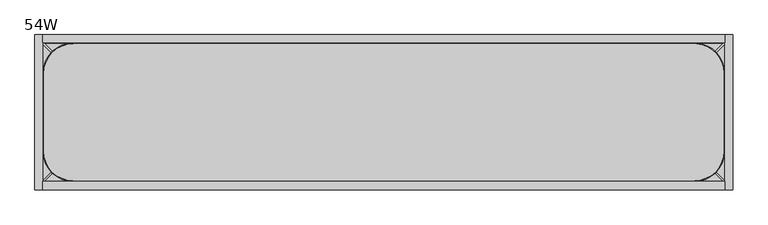
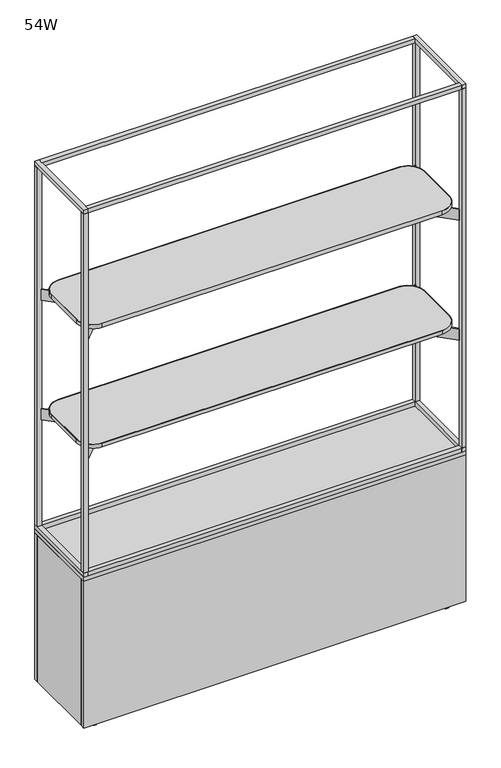
"""IFC4 building model written with IfcOpenShell, lengths in millimetres: furniture geometry, 54W."""

from ifc_helpers import new_model, si_unit, point, frame, frame_2d, origin, place, context, project, spatial, polyline, circle_curve, trimmed, segment, composite_curve, outline, extrude, source, transform, mapped, element, save
from ifc_brep_helpers import plane_surface, cylinder_surface, revolved_surface, advanced_brep


def furniture_54w_afcda798(model_context):
    return source(origin(), model_context, "Body", "SolidModel", [
        extrude(outline(composite_curve([segment(polyline([(15.8814378, 75.8242865), (15.8814378, 228.8955507)]), True, "CONTINUOUS"), segment(trimmed(circle_curve(frame_2d((75.9054892, 228.8955507)), 60.0240513), [point((15.8814378, 228.8955507))], [point((75.9054892, 288.9196021))], False, "CARTESIAN"), True, "CONTINUOUS"), segment(polyline([(75.9054892, 288.9196021), (1300.8138969, 288.9196021)]), True, "CONTINUOUS"), segment(trimmed(circle_curve(frame_2d((1295.7745622, 229.1877994)), 59.944), [point((1300.8138969, 288.9196021))], [point((1355.7185622, 229.1877994))], False, "CARTESIAN"), True, "CONTINUOUS"), segment(polyline([(1355.7185622, 229.1877994), (1355.7185622, 75.8242865)]), True, "CONTINUOUS"), segment(trimmed(circle_curve(frame_2d((1295.7745622, 75.8242865)), 59.944), [point((1355.7185622, 75.8242865))], [point((1295.7745622, 15.8802865))], False, "CARTESIAN"), True, "CONTINUOUS"), segment(polyline([(1295.7745622, 15.8802865), (75.8254378, 15.8802865)]), True, "CONTINUOUS"), segment(trimmed(circle_curve(frame_2d((75.8254378, 75.8242865)), 59.944), [point((75.8254378, 15.8802865))], [point((15.8814378, 75.8242865))], False, "CARTESIAN"), True, "CONTINUOUS")], self_intersect=False), holes=[composite_curve([segment(trimmed(circle_curve(frame_2d((1295.8050916, 75.8011918)), 58.42), [point((1295.8050916, 17.3811918))], [point((1354.2250916, 75.8011918))], True, "CARTESIAN"), True, "CONTINUOUS"), segment(polyline([(1354.2250916, 75.8011918), (1354.2250916, 229.1877994)]), True, "CONTINUOUS"), segment(trimmed(circle_curve(frame_2d((1295.8050916, 229.1877994)), 58.42), [point((1354.2250916, 229.1877994))], [point((1300.4701856, 287.4212374))], True, "CARTESIAN"), True, "CONTINUOUS"), segment(polyline([(1300.4701856, 287.4212374), (75.8827762, 287.4212374)]), True, "CONTINUOUS"), segment(trimmed(circle_curve(frame_2d((75.8750567, 228.9211866)), 58.5000513), [point((75.8827762, 287.4212374))], [point((17.3750053, 228.9211866))], True, "CARTESIAN"), True, "CONTINUOUS"), segment(polyline([(17.3750053, 228.9211866), (17.3750053, 75.8011918)]), True, "CONTINUOUS"), segment(trimmed(circle_curve(frame_2d((75.7950053, 75.8011918)), 58.42), [point((17.3750053, 75.8011918))], [point((75.7950053, 17.3811918))], True, "CARTESIAN"), True, "CONTINUOUS"), segment(polyline([(75.7950053, 17.3811918), (1295.8050916, 17.3811918)]), True, "CONTINUOUS")], self_intersect=False)]), frame((0.0, 0.0, 1504.6380035), z_axis=(0.0, 0.0, 1.0), x_axis=(1.0, 0.0, 0.0)), (0.0, 0.0, 1.0), 13.8177612),
        extrude(outline(polyline([(161.9665934, 1498.3383551), (161.9665934, 1496.0244297), (160.8082501, 1494.8660863), (144.4220029, 1494.8660863), (143.317536, 1495.9705532), (143.317536, 1498.3383551), (161.9665934, 1498.3383551)])), frame((185.6954716, 0.0, 0.0), z_axis=(1.0, 0.0, 0.0), x_axis=(0.0, 1.0, 0.0)), (0.0, 0.0, 1.0), 1000.2090567),
        extrude(outline(polyline([(177.0817057, 1504.2068283), (177.0817057, 1500.5035098), (169.3866765, 1496.5826966), (161.9665934, 1494.5944913), (161.9665934, 1498.3383551), (143.317536, 1498.3383551), (143.317536, 1494.5944913), (135.8974528, 1496.5826966), (128.2024237, 1500.5035098), (128.2024237, 1504.2068283), (177.0817057, 1504.2068283)])), frame((185.6954716, 0.0, 0.0), z_axis=(1.0, 0.0, 0.0), x_axis=(0.0, 1.0, 0.0)), (0.0, 0.0, 1.0), 1000.2090567),
        extrude(outline(polyline([(161.9665934, 1044.3133551), (161.9665934, 1041.9994297), (160.8082501, 1040.8410863), (144.4220029, 1040.8410863), (143.317536, 1041.9455532), (143.317536, 1044.3133551), (161.9665934, 1044.3133551)])), frame((185.6954716, 0.0, 0.0), z_axis=(1.0, 0.0, 0.0), x_axis=(0.0, 1.0, 0.0)), (0.0, 0.0, 1.0), 1000.2090567),
        extrude(outline(polyline([(177.0817057, 1050.1818283), (177.0817057, 1046.4785098), (169.3866765, 1042.5576966), (161.9665934, 1040.5694913), (161.9665934, 1044.3133551), (143.317536, 1044.3133551), (143.317536, 1040.5694913), (135.8974528, 1042.5576966), (128.2024237, 1046.4785098), (128.2024237, 1050.1818283), (177.0817057, 1050.1818283)])), frame((185.6954716, 0.0, 0.0), z_axis=(1.0, 0.0, 0.0), x_axis=(0.0, 1.0, 0.0)), (0.0, 0.0, 1.0), 1000.2090567),
        extrude(outline(composite_curve([segment(polyline([(1295.8050916, 17.3811918), (75.7950053, 17.3811918)]), True, "CONTINUOUS"), segment(trimmed(circle_curve(frame_2d((75.7950053, 75.8011918)), 58.42), [point((75.7950053, 17.3811918))], [point((17.3750053, 75.8011918))], False, "CARTESIAN"), True, "CONTINUOUS"), segment(polyline([(17.3750053, 75.8011918), (17.3750053, 228.9211866)]), True, "CONTINUOUS"), segment(trimmed(circle_curve(frame_2d((75.8750567, 228.9211866)), 58.5000513), [point((17.3750053, 228.9211866))], [point((75.8827762, 287.4212374))], False, "CARTESIAN"), True, "CONTINUOUS"), segment(polyline([(75.8827762, 287.4212374), (1300.4701856, 287.4212374)]), True, "CONTINUOUS"), segment(trimmed(circle_curve(frame_2d((1295.8050916, 229.1877994)), 58.42), [point((1300.4701856, 287.4212374))], [point((1354.2250916, 229.1877994))], False, "CARTESIAN"), True, "CONTINUOUS"), segment(polyline([(1354.2250916, 229.1877994), (1354.2250916, 75.8011918)]), True, "CONTINUOUS"), segment(trimmed(circle_curve(frame_2d((1295.8050916, 75.8011918)), 58.42), [point((1354.2250916, 75.8011918))], [point((1295.8050916, 17.3811918))], False, "CARTESIAN"), True, "CONTINUOUS")], self_intersect=False)), frame((0.0, 0.0, 1504.6380035), z_axis=(0.0, 0.0, 1.0), x_axis=(1.0, 0.0, 0.0)), (0.0, 0.0, 1.0), 13.8177612),
        extrude(outline(composite_curve([segment(polyline([(1295.7745622, 15.8802865), (75.8254378, 15.8802865)]), True, "CONTINUOUS"), segment(trimmed(circle_curve(frame_2d((75.8254378, 75.8242865)), 59.944), [point((75.8254378, 15.8802865))], [point((15.8814378, 75.8242865))], False, "CARTESIAN"), True, "CONTINUOUS"), segment(polyline([(15.8814378, 75.8242865), (15.8814378, 228.8955507)]), True, "CONTINUOUS"), segment(trimmed(circle_curve(frame_2d((75.9054892, 228.8955507)), 60.0240513), [point((15.8814378, 228.8955507))], [point((75.9054892, 288.9196021))], False, "CARTESIAN"), True, "CONTINUOUS"), segment(polyline([(75.9054892, 288.9196021), (1300.8138969, 288.9196021)]), True, "CONTINUOUS"), segment(trimmed(circle_curve(frame_2d((1295.7745622, 229.1877994)), 59.944), [point((1300.8138969, 288.9196021))], [point((1355.7185622, 229.1877994))], False, "CARTESIAN"), True, "CONTINUOUS"), segment(polyline([(1355.7185622, 229.1877994), (1355.7185622, 75.8242865)]), True, "CONTINUOUS"), segment(trimmed(circle_curve(frame_2d((1295.7745622, 75.8242865)), 59.944), [point((1355.7185622, 75.8242865))], [point((1295.7745622, 15.8802865))], False, "CARTESIAN"), True, "CONTINUOUS")], self_intersect=False), holes=[composite_curve([segment(polyline([(75.7950053, 17.3811918), (1295.8050916, 17.3811918)]), True, "CONTINUOUS"), segment(trimmed(circle_curve(frame_2d((1295.8050916, 75.8011918)), 58.42), [point((1295.8050916, 17.3811918))], [point((1354.2250916, 75.8011918))], True, "CARTESIAN"), True, "CONTINUOUS"), segment(polyline([(1354.2250916, 75.8011918), (1354.2250916, 229.1877994)]), True, "CONTINUOUS"), segment(trimmed(circle_curve(frame_2d((1295.8050916, 229.1877994)), 58.42), [point((1354.2250916, 229.1877994))], [point((1300.4701856, 287.4212374))], True, "CARTESIAN"), True, "CONTINUOUS"), segment(polyline([(1300.4701856, 287.4212374), (75.8827762, 287.4212374)]), True, "CONTINUOUS"), segment(trimmed(circle_curve(frame_2d((75.8750567, 228.9211866)), 58.5000513), [point((75.8827762, 287.4212374))], [point((17.3750053, 228.9211866))], True, "CARTESIAN"), True, "CONTINUOUS"), segment(polyline([(17.3750053, 228.9211866), (17.3750053, 75.8011918)]), True, "CONTINUOUS"), segment(trimmed(circle_curve(frame_2d((75.7950053, 75.8011918)), 58.42), [point((17.3750053, 75.8011918))], [point((75.7950053, 17.3811918))], True, "CARTESIAN"), True, "CONTINUOUS")], self_intersect=False)]), frame((0.0, 0.0, 1050.6130035), z_axis=(0.0, 0.0, 1.0), x_axis=(1.0, 0.0, 0.0)), (0.0, 0.0, 1.0), 13.8177612),
        extrude(outline(composite_curve([segment(polyline([(1295.8050916, 17.3811918), (75.7950053, 17.3811918)]), True, "CONTINUOUS"), segment(trimmed(circle_curve(frame_2d((75.7950053, 75.8011918)), 58.42), [point((75.7950053, 17.3811918))], [point((17.3750053, 75.8011918))], False, "CARTESIAN"), True, "CONTINUOUS"), segment(polyline([(17.3750053, 75.8011918), (17.3750053, 228.9211866)]), True, "CONTINUOUS"), segment(trimmed(circle_curve(frame_2d((75.8750567, 228.9211866)), 58.5000513), [point((17.3750053, 228.9211866))], [point((75.8827762, 287.4212374))], False, "CARTESIAN"), True, "CONTINUOUS"), segment(polyline([(75.8827762, 287.4212374), (1300.4701856, 287.4212374)]), True, "CONTINUOUS"), segment(trimmed(circle_curve(frame_2d((1295.8050916, 229.1877994)), 58.42), [point((1300.4701856, 287.4212374))], [point((1354.2250916, 229.1877994))], False, "CARTESIAN"), True, "CONTINUOUS"), segment(polyline([(1354.2250916, 229.1877994), (1354.2250916, 75.8011918)]), True, "CONTINUOUS"), segment(trimmed(circle_curve(frame_2d((1295.8050916, 75.8011918)), 58.42), [point((1354.2250916, 75.8011918))], [point((1295.8050916, 17.3811918))], False, "CARTESIAN"), True, "CONTINUOUS")], self_intersect=False)), frame((0.0, 0.0, 1050.6130035), z_axis=(0.0, 0.0, 1.0), x_axis=(1.0, 0.0, 0.0)), (0.0, 0.0, 1.0), 13.8177612),
        extrude(outline(polyline([(185.6954716, 106.6550188), (124.7354716, 106.6550188), (124.7354716, 198.1363516), (185.6954716, 198.1363516), (185.6954716, 106.6550188)])), frame((0.0, 0.0, 1463.1180573), z_axis=(0.0, 0.0, 1.0), x_axis=(1.0, 0.0, 0.0)), (0.0, 0.0, 1.0), 41.5199463),
        extrude(outline(polyline([(1185.9045284, 106.6550188), (1185.9045284, 198.1363516), (1246.8645284, 198.1363516), (1246.8645284, 106.6550188), (1185.9045284, 106.6550188)])), frame((0.0, 0.0, 1463.1180573), z_axis=(0.0, 0.0, 1.0), x_axis=(1.0, 0.0, 0.0)), (0.0, 0.0, 1.0), 41.5199463),
        extrude(outline(polyline([(185.6954716, 106.6550188), (124.7354716, 106.6550188), (124.7354716, 198.1363516), (185.6954716, 198.1363516), (185.6954716, 106.6550188)])), frame((0.0, 0.0, 1009.0930573), z_axis=(0.0, 0.0, 1.0), x_axis=(1.0, 0.0, 0.0)), (0.0, 0.0, 1.0), 41.5199463),
        extrude(outline(polyline([(1246.8645284, 106.6550188), (1185.9045284, 106.6550188), (1185.9045284, 198.1363516), (1246.8645284, 198.1363516), (1246.8645284, 106.6550188)])), frame((0.0, 0.0, 1009.0930573), z_axis=(0.0, 0.0, 1.0), x_axis=(1.0, 0.0, 0.0)), (0.0, 0.0, 1.0), 41.5199463),
        extrude(outline(composite_curve([segment(trimmed(circle_curve(frame_2d((124.7354716, 56.8263835)), 49.8286353), [point((87.3911774, 89.8157239))], [point((124.7354716, 106.6550188))], False, "CARTESIAN"), True, "CONTINUOUS"), segment(polyline([(124.7354716, 106.6550188), (1246.8645284, 106.6550188)]), True, "CONTINUOUS"), segment(trimmed(circle_curve(frame_2d((1246.8645284, 56.8031881)), 49.8518307), [point((1246.8645284, 106.6550188))], [point((1284.2181244, 89.817032))], False, "CARTESIAN"), True, "CONTINUOUS"), segment(polyline([(1284.2181244, 89.817032), (1358.1515597, 15.8836935), (1355.733139, 13.4652728), (1281.8002487, 87.3980663)]), True, "CONTINUOUS"), segment(trimmed(circle_curve(frame_2d((1243.2853714, 48.8831384)), 54.4682976), [point((1281.8002487, 87.3980663))], [point((1246.8645284, 103.2337141))], True, "CARTESIAN"), True, "CONTINUOUS"), segment(polyline([(1246.8645284, 103.2337141), (124.7354716, 103.2337141)]), True, "CONTINUOUS"), segment(trimmed(circle_curve(frame_2d((128.3291811, 48.8768447)), 54.4755358), [point((124.7354716, 103.2337141))], [point((89.809053, 87.3967582))], True, "CARTESIAN"), True, "CONTINUOUS"), segment(polyline([(89.809053, 87.3967582), (15.8765503, 13.4638437), (13.4581417, 15.8822522), (87.3911774, 89.8157239)]), True, "CONTINUOUS")], self_intersect=False)), frame((0.0, 0.0, 1463.1180573), z_axis=(0.0, 0.0, 1.0), x_axis=(1.0, 0.0, 0.0)), (0.0, 0.0, 1.0), 41.5199463),
        extrude(outline(composite_curve([segment(polyline([(1246.8645284, 198.1363516), (124.7354716, 198.1363516)]), True, "CONTINUOUS"), segment(trimmed(circle_curve(frame_2d((124.7354716, 247.9483006)), 49.8119491), [point((124.7354716, 198.1363516))], [point((87.390596, 214.9848279))], False, "CARTESIAN"), True, "CONTINUOUS"), segment(polyline([(87.390596, 214.9848279), (13.4637131, 288.9118562), (15.8821217, 291.3302648), (89.8084717, 217.4038179)]), True, "CONTINUOUS"), segment(trimmed(circle_curve(frame_2d((128.3250754, 255.9203711)), 54.4706676), [point((89.8084717, 217.4038179))], [point((124.7354716, 201.5681092))], True, "CARTESIAN"), True, "CONTINUOUS"), segment(polyline([(124.7354716, 201.5681092), (1246.8645284, 201.5681092)]), True, "CONTINUOUS"), segment(trimmed(circle_curve(frame_2d((1246.8645284, 248.0197355)), 46.4516263), [point((1246.8645284, 201.5681092))], [point((1281.8001518, 217.4051017))], True, "CARTESIAN"), True, "CONTINUOUS"), segment(polyline([(1281.8001518, 217.4051017), (1355.726405, 291.3316455), (1358.1448135, 288.9132369), (1284.2180275, 214.986136)]), True, "CONTINUOUS"), segment(trimmed(circle_curve(frame_2d((1243.2695146, 255.9344745)), 57.909819), [point((1284.2180275, 214.986136))], [point((1246.8645284, 198.1363516))], False, "CARTESIAN"), True, "CONTINUOUS")], self_intersect=False)), frame((0.0, 0.0, 1463.1180573), z_axis=(0.0, 0.0, 1.0), x_axis=(1.0, 0.0, 0.0)), (0.0, 0.0, 1.0), 41.5199463),
        extrude(outline(composite_curve([segment(trimmed(circle_curve(frame_2d((124.7354716, 56.8263835)), 49.8286353), [point((87.3911774, 89.8157239))], [point((124.7354716, 106.6550188))], False, "CARTESIAN"), True, "CONTINUOUS"), segment(polyline([(124.7354716, 106.6550188), (1246.8645284, 106.6550188)]), True, "CONTINUOUS"), segment(trimmed(circle_curve(frame_2d((1246.8645284, 56.8031881)), 49.8518307), [point((1246.8645284, 106.6550188))], [point((1284.2181244, 89.817032))], False, "CARTESIAN"), True, "CONTINUOUS"), segment(polyline([(1284.2181244, 89.817032), (1358.1515597, 15.8836935), (1355.733139, 13.4652728), (1281.8002487, 87.3980663)]), True, "CONTINUOUS"), segment(trimmed(circle_curve(frame_2d((1243.2853714, 48.8831384)), 54.4682976), [point((1281.8002487, 87.3980663))], [point((1246.8645284, 103.2337141))], True, "CARTESIAN"), True, "CONTINUOUS"), segment(polyline([(1246.8645284, 103.2337141), (124.7354716, 103.2337141)]), True, "CONTINUOUS"), segment(trimmed(circle_curve(frame_2d((128.3291811, 48.8768447)), 54.4755358), [point((124.7354716, 103.2337141))], [point((89.809053, 87.3967582))], True, "CARTESIAN"), True, "CONTINUOUS"), segment(polyline([(89.809053, 87.3967582), (15.8765503, 13.4638437), (13.4581417, 15.8822522), (87.3911774, 89.8157239)]), True, "CONTINUOUS")], self_intersect=False)), frame((0.0, 0.0, 1009.0930573), z_axis=(0.0, 0.0, 1.0), x_axis=(1.0, 0.0, 0.0)), (0.0, 0.0, 1.0), 41.5199463),
        extrude(outline(composite_curve([segment(polyline([(1246.8645284, 198.1363516), (124.7354716, 198.1363516)]), True, "CONTINUOUS"), segment(trimmed(circle_curve(frame_2d((124.7354716, 247.9483006)), 49.8119491), [point((124.7354716, 198.1363516))], [point((87.390596, 214.9848279))], False, "CARTESIAN"), True, "CONTINUOUS"), segment(polyline([(87.390596, 214.9848279), (13.4637131, 288.9118562), (15.8821217, 291.3302648), (89.8084717, 217.4038179)]), True, "CONTINUOUS"), segment(trimmed(circle_curve(frame_2d((128.3250754, 255.9203711)), 54.4706676), [point((89.8084717, 217.4038179))], [point((124.7354716, 201.5681092))], True, "CARTESIAN"), True, "CONTINUOUS"), segment(polyline([(124.7354716, 201.5681092), (1246.8645284, 201.5681092)]), True, "CONTINUOUS"), segment(trimmed(circle_curve(frame_2d((1246.8645284, 248.0197355)), 46.4516263), [point((1246.8645284, 201.5681092))], [point((1281.8001518, 217.4051017))], True, "CARTESIAN"), True, "CONTINUOUS"), segment(polyline([(1281.8001518, 217.4051017), (1355.726405, 291.3316455), (1358.1448135, 288.9132369), (1284.2180275, 214.986136)]), True, "CONTINUOUS"), segment(trimmed(circle_curve(frame_2d((1243.2695146, 255.9344745)), 57.909819), [point((1284.2180275, 214.986136))], [point((1246.8645284, 198.1363516))], False, "CARTESIAN"), True, "CONTINUOUS")], self_intersect=False)), frame((0.0, 0.0, 1009.0930573), z_axis=(0.0, 0.0, 1.0), x_axis=(1.0, 0.0, 0.0)), (0.0, 0.0, 1.0), 41.5199463),
        extrude(outline(polyline([(1355.7185622, 0.0), (15.8814378, 0.0), (15.8814378, 15.8802865), (1355.7185622, 15.8802865), (1355.7185622, 0.0)])), frame((0.0, 0.0, 1969.4305479), z_axis=(0.0, 0.0, 1.0), x_axis=(1.0, 0.0, 0.0)), (0.0, 0.0, 1.0), 15.3798752),
        extrude(outline(polyline([(1355.7185622, 288.9196021), (15.8814378, 288.9196021), (15.8814378, 304.8), (1355.7185622, 304.8), (1355.7185622, 288.9196021)])), frame((0.0, 0.0, 1969.4305479), z_axis=(0.0, 0.0, 1.0), x_axis=(1.0, 0.0, 0.0)), (0.0, 0.0, 1.0), 15.3798752),
        extrude(outline(polyline([(1355.7185622, 0.0), (15.8814378, 0.0), (15.8814378, 15.8802865), (1355.7185622, 15.8802865), (1355.7185622, 0.0)])), frame((0.0, 0.0, 591.366423), z_axis=(0.0, 0.0, 1.0), x_axis=(1.0, 0.0, 0.0)), (0.0, 0.0, 1.0), 15.8800385),
        extrude(outline(polyline([(1355.7185622, 288.9196021), (15.8814378, 288.9196021), (15.8814378, 304.8), (1355.7185622, 304.8), (1355.7185622, 288.9196021)])), frame((0.0, 0.0, 591.366423), z_axis=(0.0, 0.0, 1.0), x_axis=(1.0, 0.0, 0.0)), (0.0, 0.0, 1.0), 15.8800385),
        extrude(outline(polyline([(15.8814378, 0.0), (0.0, 0.0), (0.0, 15.8802865), (15.8814378, 15.8802865), (15.8814378, 0.0)])), frame((0.0, 0.0, 607.2464615), z_axis=(0.0, 0.0, 1.0), x_axis=(1.0, 0.0, 0.0)), (0.0, 0.0, 1.0), 1362.1840864),
        extrude(outline(polyline([(15.8814378, 304.8), (15.8814378, 288.9196021), (0.0, 288.9196021), (0.0, 304.8), (15.8814378, 304.8)])), frame((0.0, 0.0, 607.2464615), z_axis=(0.0, 0.0, 1.0), x_axis=(1.0, 0.0, 0.0)), (0.0, 0.0, 1.0), 1362.1840864),
        extrude(outline(polyline([(1355.7185622, 304.8), (1371.6, 304.8), (1371.6, 288.9196021), (1355.7185622, 288.9196021), (1355.7185622, 304.8)])), frame((0.0, 0.0, 607.2464615), z_axis=(0.0, 0.0, 1.0), x_axis=(1.0, 0.0, 0.0)), (0.0, 0.0, 1.0), 1362.1840864),
        extrude(outline(polyline([(1371.6, 0.0), (1355.7185622, 0.0), (1355.7185622, 15.8802865), (1371.6, 15.8802865), (1371.6, 0.0)])), frame((0.0, 0.0, 607.2464615), z_axis=(0.0, 0.0, 1.0), x_axis=(1.0, 0.0, 0.0)), (0.0, 0.0, 1.0), 1362.1840864),
        extrude(outline(polyline([(15.8814378, 0.0), (0.0, 0.0), (0.0, 304.8), (15.8814378, 304.8), (15.8814378, 0.0)])), frame((0.0, 0.0, 1969.4305479), z_axis=(0.0, 0.0, 1.0), x_axis=(1.0, 0.0, 0.0)), (0.0, 0.0, 1.0), 15.3798752),
        extrude(outline(polyline([(1371.6, 0.0), (1355.7185622, 0.0), (1355.7185622, 304.8), (1371.6, 304.8), (1371.6, 0.0)])), frame((0.0, 0.0, 1969.4305479), z_axis=(0.0, 0.0, 1.0), x_axis=(1.0, 0.0, 0.0)), (0.0, 0.0, 1.0), 15.3798752),
        extrude(outline(polyline([(15.8814378, 0.0), (0.0, 0.0), (0.0, 304.8), (15.8814378, 304.8), (15.8814378, 0.0)])), frame((0.0, 0.0, 591.366423), z_axis=(0.0, 0.0, 1.0), x_axis=(1.0, 0.0, 0.0)), (0.0, 0.0, 1.0), 15.8800385),
        extrude(outline(polyline([(1371.6, 0.0), (1355.7185622, 0.0), (1355.7185622, 304.8), (1371.6, 304.8), (1371.6, 0.0)])), frame((0.0, 0.0, 591.366423), z_axis=(0.0, 0.0, 1.0), x_axis=(1.0, 0.0, 0.0)), (0.0, 0.0, 1.0), 15.8800385),
        advanced_brep(
        [(1304.4272617, 271.5259334, 0.0), (1317.138208, 271.5259334, 0.0), (1329.8491543, 271.5259334, 0.0), (1317.138208, 271.5259334, 19.3136951), (1313.1636626, 271.5259334, 19.3136951), (1321.1127534, 271.5259334, 19.3136951), (1313.1636626, 271.5259334, 17.5685649), (1321.1127534, 271.5259334, 17.5685649), (1311.6646125, 271.5259334, 14.972134), (1322.6118035, 271.5259334, 14.972134), (1309.1406856, 271.5259334, 14.0032892), (1325.1357304, 271.5259334, 14.0032892), (1309.1406856, 271.5259334, 10.3232424), (1325.1357304, 271.5259334, 10.3232424), (1310.0799262, 271.5259334, 10.3232424), (1324.1964898, 271.5259334, 10.3232424), (1310.0799262, 271.5259334, 8.9619405), (1324.1964898, 271.5259334, 8.9619405), (1302.0761967, 271.5259334, 3.3576688), (1332.2002193, 271.5259334, 3.3576688)],
        [
            (0, 1),
            (1, 2),
            (2, 0, circle_curve(frame((1317.138208, 271.5259334, 0.0), z_axis=(0.0, 0.0, -1.0), x_axis=(1.0, 0.0, 0.0)), 12.7109463)),
            (0, 2, circle_curve(frame((1317.138208, 271.5259334, 0.0), z_axis=(0.0, 0.0, -1.0), x_axis=(1.0, 0.0, 0.0)), 12.7109463)),
            (3, 4),
            (4, 5, circle_curve(frame((1317.138208, 271.5259334, 19.3136951), z_axis=(0.0, 0.0, 1.0), x_axis=(1.0, 0.0, 0.0)), 3.9745454)),
            (5, 3),
            (5, 4, circle_curve(frame((1317.138208, 271.5259334, 19.3136951), z_axis=(0.0, 0.0, 1.0), x_axis=(1.0, 0.0, 0.0)), 3.9745454)),
            (4, 6),
            (6, 7, circle_curve(frame((1317.138208, 271.5259334, 17.5685649), z_axis=(0.0, 0.0, 1.0), x_axis=(1.0, 0.0, 0.0)), 3.9745454)),
            (7, 5),
            (7, 6, circle_curve(frame((1317.138208, 271.5259334, 17.5685649), z_axis=(0.0, 0.0, 1.0), x_axis=(1.0, 0.0, 0.0)), 3.9745454)),
            (6, 8),
            (8, 9, circle_curve(frame((1317.138208, 271.5259334, 14.972134), z_axis=(0.0, 0.0, 1.0), x_axis=(1.0, 0.0, 0.0)), 5.4735955)),
            (9, 7),
            (9, 8, circle_curve(frame((1317.138208, 271.5259334, 14.972134), z_axis=(0.0, 0.0, 1.0), x_axis=(1.0, 0.0, 0.0)), 5.4735955)),
            (8, 10),
            (10, 11, circle_curve(frame((1317.138208, 271.5259334, 14.0032892), z_axis=(0.0, 0.0, 1.0), x_axis=(1.0, 0.0, 0.0)), 7.9975224)),
            (11, 9),
            (11, 10, circle_curve(frame((1317.138208, 271.5259334, 14.0032892), z_axis=(0.0, 0.0, 1.0), x_axis=(1.0, 0.0, 0.0)), 7.9975224)),
            (10, 12),
            (12, 13, circle_curve(frame((1317.138208, 271.5259334, 10.3232424), z_axis=(0.0, 0.0, 1.0), x_axis=(1.0, 0.0, 0.0)), 7.9975224)),
            (13, 11),
            (13, 12, circle_curve(frame((1317.138208, 271.5259334, 10.3232424), z_axis=(0.0, 0.0, 1.0), x_axis=(1.0, 0.0, 0.0)), 7.9975224)),
            (12, 14),
            (14, 15, circle_curve(frame((1317.138208, 271.5259334, 10.3232424), z_axis=(0.0, 0.0, 1.0), x_axis=(1.0, 0.0, 0.0)), 7.0582818)),
            (15, 13),
            (15, 14, circle_curve(frame((1317.138208, 271.5259334, 10.3232424), z_axis=(0.0, 0.0, 1.0), x_axis=(1.0, 0.0, 0.0)), 7.0582818)),
            (14, 16),
            (16, 17, circle_curve(frame((1317.138208, 271.5259334, 8.9619405), z_axis=(0.0, 0.0, 1.0), x_axis=(1.0, 0.0, 0.0)), 7.0582818)),
            (17, 15),
            (17, 16, circle_curve(frame((1317.138208, 271.5259334, 8.9619405), z_axis=(0.0, 0.0, 1.0), x_axis=(1.0, 0.0, 0.0)), 7.0582818)),
            (16, 18),
            (18, 19, circle_curve(frame((1317.138208, 271.5259334, 3.3576688), z_axis=(0.0, 0.0, 1.0), x_axis=(1.0, 0.0, 0.0)), 15.0620113)),
            (19, 17),
            (19, 18, circle_curve(frame((1317.138208, 271.5259334, 3.3576688), z_axis=(0.0, 0.0, 1.0), x_axis=(1.0, 0.0, 0.0)), 15.0620113)),
            (18, 0),
            (2, 19),
        ],
        [
            plane_surface(frame((1317.138208, 271.5259334, 0.0), z_axis=(0.0, 0.0, -1.0), x_axis=(1.0, 0.0, 0.0))),
            plane_surface(frame((1317.138208, 271.5259334, 19.3136951), z_axis=(0.0, 0.0, 1.0), x_axis=(1.0, 0.0, 0.0))),
            cylinder_surface(frame((1317.138208, 271.5259334, -304.8), z_axis=(0.0, 0.0, 1.0), x_axis=(1.0, 0.0, 0.0)), 3.9745454),
            revolved_surface(polyline([(1322.6118035, 271.5259334, 14.972134), (1321.1127534, 271.5259334, 17.5685649)]), (1317.138208, 271.5259334, -304.8), (0.0, 0.0, 1.0)),
            revolved_surface(polyline([(1325.1357304, 271.5259334, 14.0032892), (1322.6118035, 271.5259334, 14.972134)]), (1317.138208, 271.5259334, -304.8), (0.0, 0.0, 1.0)),
            cylinder_surface(frame((1317.138208, 271.5259334, -304.8), z_axis=(0.0, 0.0, 1.0), x_axis=(1.0, 0.0, 0.0)), 7.9975224),
            plane_surface(frame((1317.138208, 271.5259334, 10.3232424), z_axis=(0.0, 0.0, -1.0), x_axis=(1.0, 0.0, 0.0))),
            cylinder_surface(frame((1317.138208, 271.5259334, -304.8), z_axis=(0.0, 0.0, 1.0), x_axis=(1.0, 0.0, 0.0)), 7.0582818),
            revolved_surface(polyline([(1332.2002193, 271.5259334, 3.3576688), (1324.1964898, 271.5259334, 8.9619405)]), (1317.138208, 271.5259334, -304.8), (0.0, 0.0, 1.0)),
            revolved_surface(polyline([(1329.8491543, 271.5259334, 0.0), (1332.2002193, 271.5259334, 3.3576688)]), (1317.138208, 271.5259334, -304.8), (0.0, 0.0, 1.0)),
        ],
        [
            (0, [[1, 2, 3]]),
            (0, [[-2, -1, 4]]),
            (1, [[5, 6, 7]]),
            (1, [[-7, 8, -5]]),
            (2, [[9, 10, 11, -6]]),
            (2, [[-11, 12, -9, -8]]),
            (3, [[13, 14, 15, -10]]),
            (3, [[-15, 16, -13, -12]]),
            (4, [[17, 18, 19, -14]]),
            (4, [[-19, 20, -17, -16]]),
            (5, [[21, 22, 23, -18]]),
            (5, [[-23, 24, -21, -20]]),
            (6, [[25, 26, 27, -22]]),
            (6, [[-27, 28, -25, -24]]),
            (7, [[29, 30, 31, -26]]),
            (7, [[-31, 32, -29, -28]]),
            (8, [[33, 34, 35, -30]]),
            (8, [[-35, 36, -33, -32]]),
            (9, [[37, -3, 38, -34]]),
            (9, [[-38, -4, -37, -36]]),
        ],
    ),
        advanced_brep(
        [(1304.4272617, 33.2572239, 0.0), (1317.138208, 33.2572239, 0.0), (1329.8491543, 33.2572239, 0.0), (1317.138208, 33.2572239, 19.3136951), (1313.1636626, 33.2572239, 19.3136951), (1321.1127534, 33.2572239, 19.3136951), (1313.1636626, 33.2572239, 17.5685649), (1321.1127534, 33.2572239, 17.5685649), (1311.6646125, 33.2572239, 14.972134), (1322.6118035, 33.2572239, 14.972134), (1309.1406856, 33.2572239, 14.0032892), (1325.1357304, 33.2572239, 14.0032892), (1309.1406856, 33.2572239, 10.3232424), (1325.1357304, 33.2572239, 10.3232424), (1310.0799262, 33.2572239, 10.3232424), (1324.1964898, 33.2572239, 10.3232424), (1310.0799262, 33.2572239, 8.9619405), (1324.1964898, 33.2572239, 8.9619405), (1302.0761967, 33.2572239, 3.3576688), (1332.2002193, 33.2572239, 3.3576688)],
        [
            (0, 1),
            (1, 2),
            (2, 0, circle_curve(frame((1317.138208, 33.2572239, 0.0), z_axis=(0.0, 0.0, -1.0), x_axis=(1.0, 0.0, 0.0)), 12.7109463)),
            (0, 2, circle_curve(frame((1317.138208, 33.2572239, 0.0), z_axis=(0.0, 0.0, -1.0), x_axis=(1.0, 0.0, 0.0)), 12.7109463)),
            (3, 4),
            (4, 5, circle_curve(frame((1317.138208, 33.2572239, 19.3136951), z_axis=(0.0, 0.0, 1.0), x_axis=(1.0, 0.0, 0.0)), 3.9745454)),
            (5, 3),
            (5, 4, circle_curve(frame((1317.138208, 33.2572239, 19.3136951), z_axis=(0.0, 0.0, 1.0), x_axis=(1.0, 0.0, 0.0)), 3.9745454)),
            (4, 6),
            (6, 7, circle_curve(frame((1317.138208, 33.2572239, 17.5685649), z_axis=(0.0, 0.0, 1.0), x_axis=(1.0, 0.0, 0.0)), 3.9745454)),
            (7, 5),
            (7, 6, circle_curve(frame((1317.138208, 33.2572239, 17.5685649), z_axis=(0.0, 0.0, 1.0), x_axis=(1.0, 0.0, 0.0)), 3.9745454)),
            (6, 8),
            (8, 9, circle_curve(frame((1317.138208, 33.2572239, 14.972134), z_axis=(0.0, 0.0, 1.0), x_axis=(1.0, 0.0, 0.0)), 5.4735955)),
            (9, 7),
            (9, 8, circle_curve(frame((1317.138208, 33.2572239, 14.972134), z_axis=(0.0, 0.0, 1.0), x_axis=(1.0, 0.0, 0.0)), 5.4735955)),
            (8, 10),
            (10, 11, circle_curve(frame((1317.138208, 33.2572239, 14.0032892), z_axis=(0.0, 0.0, 1.0), x_axis=(1.0, 0.0, 0.0)), 7.9975224)),
            (11, 9),
            (11, 10, circle_curve(frame((1317.138208, 33.2572239, 14.0032892), z_axis=(0.0, 0.0, 1.0), x_axis=(1.0, 0.0, 0.0)), 7.9975224)),
            (10, 12),
            (12, 13, circle_curve(frame((1317.138208, 33.2572239, 10.3232424), z_axis=(0.0, 0.0, 1.0), x_axis=(1.0, 0.0, 0.0)), 7.9975224)),
            (13, 11),
            (13, 12, circle_curve(frame((1317.138208, 33.2572239, 10.3232424), z_axis=(0.0, 0.0, 1.0), x_axis=(1.0, 0.0, 0.0)), 7.9975224)),
            (12, 14),
            (14, 15, circle_curve(frame((1317.138208, 33.2572239, 10.3232424), z_axis=(0.0, 0.0, 1.0), x_axis=(1.0, 0.0, 0.0)), 7.0582818)),
            (15, 13),
            (15, 14, circle_curve(frame((1317.138208, 33.2572239, 10.3232424), z_axis=(0.0, 0.0, 1.0), x_axis=(1.0, 0.0, 0.0)), 7.0582818)),
            (14, 16),
            (16, 17, circle_curve(frame((1317.138208, 33.2572239, 8.9619405), z_axis=(0.0, 0.0, 1.0), x_axis=(1.0, 0.0, 0.0)), 7.0582818)),
            (17, 15),
            (17, 16, circle_curve(frame((1317.138208, 33.2572239, 8.9619405), z_axis=(0.0, 0.0, 1.0), x_axis=(1.0, 0.0, 0.0)), 7.0582818)),
            (16, 18),
            (18, 19, circle_curve(frame((1317.138208, 33.2572239, 3.3576688), z_axis=(0.0, 0.0, 1.0), x_axis=(1.0, 0.0, 0.0)), 15.0620113)),
            (19, 17),
            (19, 18, circle_curve(frame((1317.138208, 33.2572239, 3.3576688), z_axis=(0.0, 0.0, 1.0), x_axis=(1.0, 0.0, 0.0)), 15.0620113)),
            (18, 0),
            (2, 19),
        ],
        [
            plane_surface(frame((1317.138208, 33.2572239, 0.0), z_axis=(0.0, 0.0, -1.0), x_axis=(1.0, 0.0, 0.0))),
            plane_surface(frame((1317.138208, 33.2572239, 19.3136951), z_axis=(0.0, 0.0, 1.0), x_axis=(1.0, 0.0, 0.0))),
            cylinder_surface(frame((1317.138208, 33.2572239, -304.8), z_axis=(0.0, 0.0, 1.0), x_axis=(1.0, 0.0, 0.0)), 3.9745454),
            revolved_surface(polyline([(1322.6118035, 33.2572239, 14.972134), (1321.1127534, 33.2572239, 17.5685649)]), (1317.138208, 33.2572239, -304.8), (0.0, 0.0, 1.0)),
            revolved_surface(polyline([(1325.1357304, 33.2572239, 14.0032892), (1322.6118035, 33.2572239, 14.972134)]), (1317.138208, 33.2572239, -304.8), (0.0, 0.0, 1.0)),
            cylinder_surface(frame((1317.138208, 33.2572239, -304.8), z_axis=(0.0, 0.0, 1.0), x_axis=(1.0, 0.0, 0.0)), 7.9975224),
            plane_surface(frame((1317.138208, 33.2572239, 10.3232424), z_axis=(0.0, 0.0, -1.0), x_axis=(1.0, 0.0, 0.0))),
            cylinder_surface(frame((1317.138208, 33.2572239, -304.8), z_axis=(0.0, 0.0, 1.0), x_axis=(1.0, 0.0, 0.0)), 7.0582818),
            revolved_surface(polyline([(1332.2002193, 33.2572239, 3.3576688), (1324.1964898, 33.2572239, 8.9619405)]), (1317.138208, 33.2572239, -304.8), (0.0, 0.0, 1.0)),
            revolved_surface(polyline([(1329.8491543, 33.2572239, 0.0), (1332.2002193, 33.2572239, 3.3576688)]), (1317.138208, 33.2572239, -304.8), (0.0, 0.0, 1.0)),
        ],
        [
            (0, [[1, 2, 3]]),
            (0, [[-2, -1, 4]]),
            (1, [[5, 6, 7]]),
            (1, [[-7, 8, -5]]),
            (2, [[9, 10, 11, -6]]),
            (2, [[-11, 12, -9, -8]]),
            (3, [[13, 14, 15, -10]]),
            (3, [[-15, 16, -13, -12]]),
            (4, [[17, 18, 19, -14]]),
            (4, [[-19, 20, -17, -16]]),
            (5, [[21, 22, 23, -18]]),
            (5, [[-23, 24, -21, -20]]),
            (6, [[25, 26, 27, -22]]),
            (6, [[-27, 28, -25, -24]]),
            (7, [[29, 30, 31, -26]]),
            (7, [[-31, 32, -29, -28]]),
            (8, [[33, 34, 35, -30]]),
            (8, [[-35, 36, -33, -32]]),
            (9, [[37, -3, 38, -34]]),
            (9, [[-38, -4, -37, -36]]),
        ],
    ),
        advanced_brep(
        [(67.1725886, 272.2343697, 0.0), (54.4616423, 272.2343548, 0.0), (41.7506961, 272.23434, 0.0), (54.4616423, 272.2343548, 19.3136951), (58.4361878, 272.2343595, 19.3136951), (50.4870969, 272.2343502, 19.3136951), (58.4361878, 272.2343595, 17.5685649), (50.4870969, 272.2343502, 17.5685649), (59.9352379, 272.2343612, 14.972134), (48.9880468, 272.2343485, 14.972134), (62.4591647, 272.2343642, 14.0032892), (46.46412, 272.2343455, 14.0032892), (62.4591647, 272.2343642, 10.3232424), (46.46412, 272.2343455, 10.3232424), (61.5199241, 272.2343631, 10.3232424), (47.4033606, 272.2343466, 10.3232424), (61.5199241, 272.2343631, 8.9619405), (47.4033606, 272.2343466, 8.9619405), (69.5236536, 272.2343724, 3.3576688), (39.3996311, 272.2343373, 3.3576688)],
        [
            (0, 1),
            (1, 2),
            (2, 0, circle_curve(frame((54.4616423, 272.2343548, 0.0), z_axis=(0.0, 0.0, -1.0), x_axis=(-0.999999999999319, -1.1670755062646865e-06, 0.0)), 12.7109463)),
            (0, 2, circle_curve(frame((54.4616423, 272.2343548, 0.0), z_axis=(0.0, 0.0, -1.0), x_axis=(-0.999999999999319, -1.1670755062646865e-06, 0.0)), 12.7109463)),
            (3, 4),
            (4, 5, circle_curve(frame((54.4616423, 272.2343548, 19.3136951), z_axis=(0.0, 0.0, 1.0), x_axis=(-0.999999999999319, -1.1670755062646865e-06, 0.0)), 3.9745454)),
            (5, 3),
            (5, 4, circle_curve(frame((54.4616423, 272.2343548, 19.3136951), z_axis=(0.0, 0.0, 1.0), x_axis=(-0.999999999999319, -1.1670755062646865e-06, 0.0)), 3.9745454)),
            (4, 6),
            (6, 7, circle_curve(frame((54.4616423, 272.2343548, 17.5685649), z_axis=(0.0, 0.0, 1.0), x_axis=(-0.999999999999319, -1.1670755062646865e-06, 0.0)), 3.9745454)),
            (7, 5),
            (7, 6, circle_curve(frame((54.4616423, 272.2343548, 17.5685649), z_axis=(0.0, 0.0, 1.0), x_axis=(-0.999999999999319, -1.1670755062646865e-06, 0.0)), 3.9745454)),
            (6, 8),
            (8, 9, circle_curve(frame((54.4616423, 272.2343548, 14.972134), z_axis=(0.0, 0.0, 1.0), x_axis=(-0.999999999999319, -1.1670755062646865e-06, 0.0)), 5.4735955)),
            (9, 7),
            (9, 8, circle_curve(frame((54.4616423, 272.2343548, 14.972134), z_axis=(0.0, 0.0, 1.0), x_axis=(-0.999999999999319, -1.1670755062646865e-06, 0.0)), 5.4735955)),
            (8, 10),
            (10, 11, circle_curve(frame((54.4616423, 272.2343548, 14.0032892), z_axis=(0.0, 0.0, 1.0), x_axis=(-0.999999999999319, -1.1670755062646865e-06, 0.0)), 7.9975224)),
            (11, 9),
            (11, 10, circle_curve(frame((54.4616423, 272.2343548, 14.0032892), z_axis=(0.0, 0.0, 1.0), x_axis=(-0.999999999999319, -1.1670755062646865e-06, 0.0)), 7.9975224)),
            (10, 12),
            (12, 13, circle_curve(frame((54.4616423, 272.2343548, 10.3232424), z_axis=(0.0, 0.0, 1.0), x_axis=(-0.999999999999319, -1.1670755062646865e-06, 0.0)), 7.9975224)),
            (13, 11),
            (13, 12, circle_curve(frame((54.4616423, 272.2343548, 10.3232424), z_axis=(0.0, 0.0, 1.0), x_axis=(-0.999999999999319, -1.1670755062646865e-06, 0.0)), 7.9975224)),
            (12, 14),
            (14, 15, circle_curve(frame((54.4616423, 272.2343548, 10.3232424), z_axis=(0.0, 0.0, 1.0), x_axis=(-0.999999999999319, -1.1670755062646865e-06, 0.0)), 7.0582818)),
            (15, 13),
            (15, 14, circle_curve(frame((54.4616423, 272.2343548, 10.3232424), z_axis=(0.0, 0.0, 1.0), x_axis=(-0.999999999999319, -1.1670755062646865e-06, 0.0)), 7.0582818)),
            (14, 16),
            (16, 17, circle_curve(frame((54.4616423, 272.2343548, 8.9619405), z_axis=(0.0, 0.0, 1.0), x_axis=(-0.999999999999319, -1.1670755062646865e-06, 0.0)), 7.0582818)),
            (17, 15),
            (17, 16, circle_curve(frame((54.4616423, 272.2343548, 8.9619405), z_axis=(0.0, 0.0, 1.0), x_axis=(-0.999999999999319, -1.1670755062646865e-06, 0.0)), 7.0582818)),
            (16, 18),
            (18, 19, circle_curve(frame((54.4616423, 272.2343548, 3.3576688), z_axis=(0.0, 0.0, 1.0), x_axis=(-0.999999999999319, -1.1670755062646865e-06, 0.0)), 15.0620113)),
            (19, 17),
            (19, 18, circle_curve(frame((54.4616423, 272.2343548, 3.3576688), z_axis=(0.0, 0.0, 1.0), x_axis=(-0.999999999999319, -1.1670755062646865e-06, 0.0)), 15.0620113)),
            (18, 0),
            (2, 19),
        ],
        [
            plane_surface(frame((54.4616423, 272.2343548, 0.0), z_axis=(0.0, 0.0, -1.0), x_axis=(-0.999999999999319, -1.1670755062646865e-06, 0.0))),
            plane_surface(frame((54.4616423, 272.2343548, 19.3136951), z_axis=(0.0, 0.0, 1.0), x_axis=(-0.999999999999319, -1.1670755062646865e-06, 0.0))),
            cylinder_surface(frame((54.4616423, 272.2343548, -304.8), z_axis=(0.0, 0.0, 1.0), x_axis=(-0.999999999999319, -1.1670755062646865e-06, 0.0)), 3.9745454),
            revolved_surface(polyline([(48.9880468, 272.2343485, 14.972134), (50.4870969, 272.2343502, 17.5685649)]), (54.4616423, 272.2343548, -304.8), (0.0, 0.0, 1.0)),
            revolved_surface(polyline([(46.46412, 272.2343455, 14.0032892), (48.9880468, 272.2343485, 14.972134)]), (54.4616423, 272.2343548, -304.8), (0.0, 0.0, 1.0)),
            cylinder_surface(frame((54.4616423, 272.2343548, -304.8), z_axis=(0.0, 0.0, 1.0), x_axis=(-0.999999999999319, -1.1670755062646865e-06, 0.0)), 7.9975224),
            plane_surface(frame((54.4616423, 272.2343548, 10.3232424), z_axis=(0.0, 0.0, -1.0), x_axis=(-0.999999999999319, -1.1670755062646865e-06, 0.0))),
            cylinder_surface(frame((54.4616423, 272.2343548, -304.8), z_axis=(0.0, 0.0, 1.0), x_axis=(-0.999999999999319, -1.1670755062646865e-06, 0.0)), 7.0582818),
            revolved_surface(polyline([(39.3996311, 272.2343373, 3.3576688), (47.4033606, 272.2343466, 8.9619405)]), (54.4616423, 272.2343548, -304.8), (0.0, 0.0, 1.0)),
            revolved_surface(polyline([(41.7506961, 272.23434, 0.0), (39.3996311, 272.2343373, 3.3576688)]), (54.4616423, 272.2343548, -304.8), (0.0, 0.0, 1.0)),
        ],
        [
            (0, [[1, 2, 3]]),
            (0, [[-2, -1, 4]]),
            (1, [[5, 6, 7]]),
            (1, [[-7, 8, -5]]),
            (2, [[9, 10, 11, -6]]),
            (2, [[-11, 12, -9, -8]]),
            (3, [[13, 14, 15, -10]]),
            (3, [[-15, 16, -13, -12]]),
            (4, [[17, 18, 19, -14]]),
            (4, [[-19, 20, -17, -16]]),
            (5, [[21, 22, 23, -18]]),
            (5, [[-23, 24, -21, -20]]),
            (6, [[25, 26, 27, -22]]),
            (6, [[-27, 28, -25, -24]]),
            (7, [[29, 30, 31, -26]]),
            (7, [[-31, 32, -29, -28]]),
            (8, [[33, 34, 35, -30]]),
            (8, [[-35, 36, -33, -32]]),
            (9, [[37, -3, 38, -34]]),
            (9, [[-38, -4, -37, -36]]),
        ],
    ),
        advanced_brep(
        [(54.461792, 33.2572239, 0.0), (67.1727383, 33.2572239, 0.0), (41.7508457, 33.2572239, 0.0), (58.4363374, 33.2572239, 19.3136951), (54.461792, 33.2572239, 19.3136951), (50.4872466, 33.2572239, 19.3136951), (58.4363374, 33.2572239, 17.5685649), (50.4872466, 33.2572239, 17.5685649), (59.9353875, 33.2572239, 14.972134), (48.9881965, 33.2572239, 14.972134), (62.4593144, 33.2572239, 14.0032892), (46.4642696, 33.2572239, 14.0032892), (62.4593144, 33.2572239, 10.3232424), (46.4642696, 33.2572239, 10.3232424), (61.5200738, 33.2572239, 10.3232424), (47.4035102, 33.2572239, 10.3232424), (61.5200738, 33.2572239, 8.9619405), (47.4035102, 33.2572239, 8.9619405), (69.5238033, 33.2572239, 3.3576688), (39.3997807, 33.2572239, 3.3576688)],
        [
            (0, 1),
            (1, 2, circle_curve(frame((54.461792, 33.2572239, 0.0), z_axis=(0.0, 0.0, -1.0), x_axis=(-1.0, 0.0, 0.0)), 12.7109463)),
            (2, 0),
            (2, 1, circle_curve(frame((54.461792, 33.2572239, 0.0), z_axis=(0.0, 0.0, -1.0), x_axis=(-1.0, 0.0, 0.0)), 12.7109463)),
            (3, 4),
            (4, 5),
            (5, 3, circle_curve(frame((54.461792, 33.2572239, 19.3136951), z_axis=(0.0, 0.0, 1.0), x_axis=(-1.0, 0.0, 0.0)), 3.9745454)),
            (3, 5, circle_curve(frame((54.461792, 33.2572239, 19.3136951), z_axis=(0.0, 0.0, 1.0), x_axis=(-1.0, 0.0, 0.0)), 3.9745454)),
            (6, 3),
            (5, 7),
            (7, 6, circle_curve(frame((54.461792, 33.2572239, 17.5685649), z_axis=(0.0, 0.0, 1.0), x_axis=(-1.0, 0.0, 0.0)), 3.9745454)),
            (6, 7, circle_curve(frame((54.461792, 33.2572239, 17.5685649), z_axis=(0.0, 0.0, 1.0), x_axis=(-1.0, 0.0, 0.0)), 3.9745454)),
            (8, 6),
            (7, 9),
            (9, 8, circle_curve(frame((54.461792, 33.2572239, 14.972134), z_axis=(0.0, 0.0, 1.0), x_axis=(-1.0, 0.0, 0.0)), 5.4735955)),
            (8, 9, circle_curve(frame((54.461792, 33.2572239, 14.972134), z_axis=(0.0, 0.0, 1.0), x_axis=(-1.0, 0.0, 0.0)), 5.4735955)),
            (10, 8),
            (9, 11),
            (11, 10, circle_curve(frame((54.461792, 33.2572239, 14.0032892), z_axis=(0.0, 0.0, 1.0), x_axis=(-1.0, 0.0, 0.0)), 7.9975224)),
            (10, 11, circle_curve(frame((54.461792, 33.2572239, 14.0032892), z_axis=(0.0, 0.0, 1.0), x_axis=(-1.0, 0.0, 0.0)), 7.9975224)),
            (12, 10),
            (11, 13),
            (13, 12, circle_curve(frame((54.461792, 33.2572239, 10.3232424), z_axis=(0.0, 0.0, 1.0), x_axis=(-1.0, 0.0, 0.0)), 7.9975224)),
            (12, 13, circle_curve(frame((54.461792, 33.2572239, 10.3232424), z_axis=(0.0, 0.0, 1.0), x_axis=(-1.0, 0.0, 0.0)), 7.9975224)),
            (14, 12),
            (13, 15),
            (15, 14, circle_curve(frame((54.461792, 33.2572239, 10.3232424), z_axis=(0.0, 0.0, 1.0), x_axis=(-1.0, 0.0, 0.0)), 7.0582818)),
            (14, 15, circle_curve(frame((54.461792, 33.2572239, 10.3232424), z_axis=(0.0, 0.0, 1.0), x_axis=(-1.0, 0.0, 0.0)), 7.0582818)),
            (16, 14),
            (15, 17),
            (17, 16, circle_curve(frame((54.461792, 33.2572239, 8.9619405), z_axis=(0.0, 0.0, 1.0), x_axis=(-1.0, 0.0, 0.0)), 7.0582818)),
            (16, 17, circle_curve(frame((54.461792, 33.2572239, 8.9619405), z_axis=(0.0, 0.0, 1.0), x_axis=(-1.0, 0.0, 0.0)), 7.0582818)),
            (18, 16),
            (17, 19),
            (19, 18, circle_curve(frame((54.461792, 33.2572239, 3.3576688), z_axis=(0.0, 0.0, 1.0), x_axis=(-1.0, 0.0, 0.0)), 15.0620113)),
            (18, 19, circle_curve(frame((54.461792, 33.2572239, 3.3576688), z_axis=(0.0, 0.0, 1.0), x_axis=(-1.0, 0.0, 0.0)), 15.0620113)),
            (1, 18),
            (19, 2),
        ],
        [
            plane_surface(frame((54.461792, 33.2572239, 0.0), z_axis=(0.0, 0.0, -1.0), x_axis=(-1.0, 0.0, 0.0))),
            plane_surface(frame((54.461792, 33.2572239, 19.3136951), z_axis=(0.0, 0.0, 1.0), x_axis=(-1.0, 0.0, 0.0))),
            cylinder_surface(frame((54.461792, 33.2572239, -304.8), z_axis=(0.0, 0.0, -1.0), x_axis=(-1.0, 0.0, 0.0)), 3.9745454),
            revolved_surface(polyline([(50.4872466, 33.2572239, 17.5685649), (48.9881965, 33.2572239, 14.972134)]), (54.461792, 33.2572239, -304.8), (0.0, 0.0, -1.0)),
            revolved_surface(polyline([(48.9881965, 33.2572239, 14.972134), (46.4642696, 33.2572239, 14.0032892)]), (54.461792, 33.2572239, -304.8), (0.0, 0.0, -1.0)),
            cylinder_surface(frame((54.461792, 33.2572239, -304.8), z_axis=(0.0, 0.0, -1.0), x_axis=(-1.0, 0.0, 0.0)), 7.9975224),
            plane_surface(frame((54.461792, 33.2572239, 10.3232424), z_axis=(0.0, 0.0, -1.0), x_axis=(-1.0, 0.0, 0.0))),
            cylinder_surface(frame((54.461792, 33.2572239, -304.8), z_axis=(0.0, 0.0, -1.0), x_axis=(-1.0, 0.0, 0.0)), 7.0582818),
            revolved_surface(polyline([(47.4035102, 33.2572239, 8.9619405), (39.3997807, 33.2572239, 3.3576688)]), (54.461792, 33.2572239, -304.8), (0.0, 0.0, -1.0)),
            revolved_surface(polyline([(39.3997807, 33.2572239, 3.3576688), (41.7508457, 33.2572239, 0.0)]), (54.461792, 33.2572239, -304.8), (0.0, 0.0, -1.0)),
        ],
        [
            (0, [[1, 2, 3]]),
            (0, [[-3, 4, -1]]),
            (1, [[5, 6, 7]]),
            (1, [[-6, -5, 8]]),
            (2, [[9, -7, 10, 11]]),
            (2, [[-10, -8, -9, 12]]),
            (3, [[13, -11, 14, 15]]),
            (3, [[-14, -12, -13, 16]]),
            (4, [[17, -15, 18, 19]]),
            (4, [[-18, -16, -17, 20]]),
            (5, [[21, -19, 22, 23]]),
            (5, [[-22, -20, -21, 24]]),
            (6, [[25, -23, 26, 27]]),
            (6, [[-26, -24, -25, 28]]),
            (7, [[29, -27, 30, 31]]),
            (7, [[-30, -28, -29, 32]]),
            (8, [[33, -31, 34, 35]]),
            (8, [[-34, -32, -33, 36]]),
            (9, [[37, -35, 38, -2]]),
            (9, [[-38, -36, -37, -4]]),
        ],
    ),
        extrude(outline(polyline([(1371.6, 0.0), (0.0, 0.0), (0.0, 304.8), (1371.6, 304.8), (1371.6, 0.0)])), frame((0.0, 0.0, 575.4863846), z_axis=(0.0, 0.0, 1.0), x_axis=(1.0, 0.0, 0.0)), (0.0, 0.0, 1.0), 15.8800385),
        extrude(outline(polyline([(15.8814378, 15.8802865), (0.0, 15.8802865), (0.0, 288.9196021), (15.8814378, 288.9196021), (15.8814378, 15.8802865)])), frame((0.0, 0.0, 19.3136951), z_axis=(0.0, 0.0, 1.0), x_axis=(1.0, 0.0, 0.0)), (0.0, 0.0, 1.0), 556.1726894),
        extrude(outline(polyline([(1371.6, 15.8802865), (1355.7185622, 15.8802865), (1355.7185622, 288.9196021), (1371.6, 288.9196021), (1371.6, 15.8802865)])), frame((0.0, 0.0, 19.3136951), z_axis=(0.0, 0.0, 1.0), x_axis=(1.0, 0.0, 0.0)), (0.0, 0.0, 1.0), 556.1726894),
        extrude(outline(polyline([(1371.6, 0.0), (0.0, 0.0), (0.0, 15.8802865), (1371.6, 15.8802865), (1371.6, 0.0)])), frame((0.0, 0.0, 19.3136951), z_axis=(0.0, 0.0, 1.0), x_axis=(1.0, 0.0, 0.0)), (0.0, 0.0, 1.0), 556.1726894),
        extrude(outline(polyline([(1371.6, 288.9196021), (0.0, 288.9196021), (0.0, 304.8), (1371.6, 304.8), (1371.6, 288.9196021)])), frame((0.0, 0.0, 19.3136951), z_axis=(0.0, 0.0, 1.0), x_axis=(1.0, 0.0, 0.0)), (0.0, 0.0, 1.0), 556.1726894),
    ])


if __name__ == "__main__":
    model = new_model("IFC4")
    model_context = context("Model", 3, world=origin())
    ifc_project = project(units=[si_unit("LENGTHUNIT", "METRE", prefix="MILLI")], contexts=[model_context])
    site = spatial("IfcSite", under=ifc_project)
    building = spatial("IfcBuilding", under=site)
    placement = place(None, origin())
    furniture_54w_shape = furniture_54w_afcda798(model_context)
    element("IfcFurniture", 1, ObjectType="54W", at=placement, inside=building, context=model_context, shape_type="MappedRepresentation", body=[
        mapped(furniture_54w_shape, transform((0.0, 0.0, 0.0), x_axis=(1.0, 0.0, 0.0), y_axis=(0.0, 1.0, 0.0), z_axis=(0.0, 0.0, 1.0))),
    ])
    save(model, "model.ifc")
